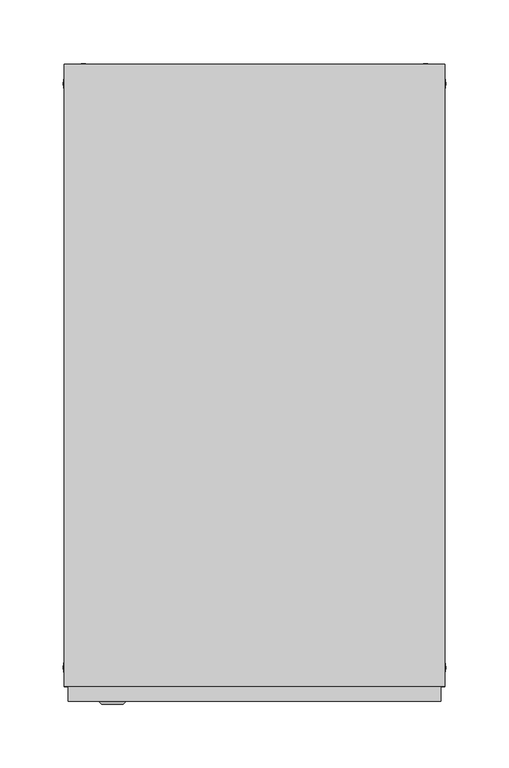
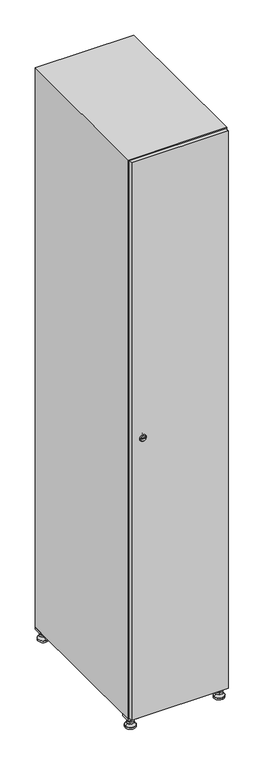
"""IFC4 building model written with IfcOpenShell, lengths in millimetres: furniture geometry."""

from ifc_helpers import new_model, si_unit, point, frame, frame_2d, origin, origin_with_axes, place, context, project, spatial, polyline, circle_curve, trimmed, segment, composite_curve, outline, extrude, faceted_brep, source, transform, mapped, element, save
from ifc_brep_helpers import plane_surface, revolved_surface, advanced_brep


def furniture_1d854229(model_context):
    return source(origin(), model_context, "Body", "SolidModel", [
        extrude(outline(polyline([(100.0, 245.0), (100.0, 215.0), (70.0, 215.0), (70.0, 245.0), (100.0, 245.0)]), holes=[polyline([(98.0, 243.0), (72.0, 243.0), (72.0, 217.0), (98.0, 217.0), (98.0, 243.0)])]), frame((0.0, 0.0, 28.5), z_axis=(0.0, 0.0, 1.0), x_axis=(1.0, 0.0, 0.0)), (0.0, 0.0, 1.0), 6.5),
        extrude(outline(polyline([(70.0, -245.0), (70.0, -215.0), (100.0, -215.0), (100.0, -245.0), (70.0, -245.0)]), holes=[polyline([(72.0, -243.0), (98.0, -243.0), (98.0, -217.0), (72.0, -217.0), (72.0, -243.0)])]), frame((0.0, 0.0, 28.5), z_axis=(0.0, 0.0, 1.0), x_axis=(1.0, 0.0, 0.0)), (0.0, 0.0, 1.0), 6.5),
        extrude(outline(polyline([(-170.0, 245.0), (-170.0, 215.0), (-200.0, 215.0), (-200.0, 245.0), (-170.0, 245.0)]), holes=[polyline([(-172.0, 243.0), (-198.0, 243.0), (-198.0, 217.0), (-172.0, 217.0), (-172.0, 243.0)])]), frame((0.0, 0.0, 28.5), z_axis=(0.0, 0.0, 1.0), x_axis=(1.0, 0.0, 0.0)), (0.0, 0.0, 1.0), 6.5),
        extrude(outline(polyline([(-170.0, -215.0), (-170.0, -245.0), (-200.0, -245.0), (-200.0, -215.0), (-170.0, -215.0)]), holes=[polyline([(-198.0, -243.0), (-172.0, -243.0), (-172.0, -217.0), (-198.0, -217.0), (-198.0, -243.0)])]), frame((0.0, 0.0, 28.5), z_axis=(0.0, 0.0, 1.0), x_axis=(1.0, 0.0, 0.0)), (0.0, 0.0, 1.0), 6.5),
        extrude(outline(composite_curve([segment(trimmed(circle_curve(frame_2d((-185.0, 230.0)), 5.0), [point((-180.0, 230.0))], [point((-190.0, 230.0))], False, "CARTESIAN"), True, "CONTINUOUS"), segment(trimmed(circle_curve(frame_2d((-185.0, 230.0)), 5.0), [point((-190.0, 230.0))], [point((-180.0, 230.0))], False, "CARTESIAN"), True, "CONTINUOUS")], self_intersect=False)), frame((0.0, 0.0, 19.6), z_axis=(0.0, 0.0, 1.0), x_axis=(1.0, 0.0, 0.0)), (0.0, 0.0, 1.0), 15.4),
        extrude(outline(composite_curve([segment(trimmed(circle_curve(frame_2d((-185.0, -230.0)), 5.0), [point((-180.0, -230.0))], [point((-190.0, -230.0))], False, "CARTESIAN"), True, "CONTINUOUS"), segment(trimmed(circle_curve(frame_2d((-185.0, -230.0)), 5.0), [point((-190.0, -230.0))], [point((-180.0, -230.0))], False, "CARTESIAN"), True, "CONTINUOUS")], self_intersect=False)), frame((0.0, 0.0, 19.6), z_axis=(0.0, 0.0, 1.0), x_axis=(1.0, 0.0, 0.0)), (0.0, 0.0, 1.0), 15.4),
        extrude(outline(composite_curve([segment(trimmed(circle_curve(frame_2d((85.0, 230.0)), 5.0), [point((90.0, 230.0))], [point((80.0, 230.0))], False, "CARTESIAN"), True, "CONTINUOUS"), segment(trimmed(circle_curve(frame_2d((85.0, 230.0)), 5.0), [point((80.0, 230.0))], [point((90.0, 230.0))], False, "CARTESIAN"), True, "CONTINUOUS")], self_intersect=False)), frame((0.0, 0.0, 19.6), z_axis=(0.0, 0.0, 1.0), x_axis=(1.0, 0.0, 0.0)), (0.0, 0.0, 1.0), 15.4),
        extrude(outline(polyline([(73.4529946, 230.0), (79.2264973, 240.0), (90.7735027, 240.0), (96.5470054, 230.0), (90.7735027, 220.0), (79.2264973, 220.0), (73.4529946, 230.0)])), frame((0.0, 0.0, 13.6), z_axis=(0.0, 0.0, 1.0), x_axis=(1.0, 0.0, 0.0)), (0.0, 0.0, 1.0), 6.0),
        extrude(outline(composite_curve([segment(trimmed(circle_curve(frame_2d((85.0, -230.0)), 5.0), [point((90.0, -230.0))], [point((80.0, -230.0))], False, "CARTESIAN"), True, "CONTINUOUS"), segment(trimmed(circle_curve(frame_2d((85.0, -230.0)), 5.0), [point((80.0, -230.0))], [point((90.0, -230.0))], False, "CARTESIAN"), True, "CONTINUOUS")], self_intersect=False)), frame((0.0, 0.0, 19.6), z_axis=(0.0, 0.0, 1.0), x_axis=(1.0, 0.0, 0.0)), (0.0, 0.0, 1.0), 15.4),
        extrude(outline(polyline([(73.4529946, -230.0), (79.2264973, -220.0), (90.7735027, -220.0), (96.5470054, -230.0), (90.7735027, -240.0), (79.2264973, -240.0), (73.4529946, -230.0)])), frame((0.0, 0.0, 13.6), z_axis=(0.0, 0.0, 1.0), x_axis=(1.0, 0.0, 0.0)), (0.0, 0.0, 1.0), 6.0),
        extrude(outline(composite_curve([segment(trimmed(circle_curve(frame_2d((85.0, 230.0)), 5.0), [point((90.0, 230.0))], [point((80.0, 230.0))], False, "CARTESIAN"), True, "CONTINUOUS"), segment(trimmed(circle_curve(frame_2d((85.0, 230.0)), 5.0), [point((80.0, 230.0))], [point((90.0, 230.0))], False, "CARTESIAN"), True, "CONTINUOUS")], self_intersect=False)), frame((0.0, 0.0, 12.1), z_axis=(0.0, 0.0, 1.0), x_axis=(1.0, 0.0, 0.0)), (0.0, 0.0, 1.0), 1.5),
        extrude(outline(composite_curve([segment(trimmed(circle_curve(frame_2d((85.0, -230.0)), 5.0), [point((90.0, -230.0))], [point((80.0, -230.0))], False, "CARTESIAN"), True, "CONTINUOUS"), segment(trimmed(circle_curve(frame_2d((85.0, -230.0)), 5.0), [point((80.0, -230.0))], [point((90.0, -230.0))], False, "CARTESIAN"), True, "CONTINUOUS")], self_intersect=False)), frame((0.0, 0.0, 12.1), z_axis=(0.0, 0.0, 1.0), x_axis=(1.0, 0.0, 0.0)), (0.0, 0.0, 1.0), 1.5),
        extrude(outline(polyline([(-196.5470054, 230.0), (-190.7735027, 240.0), (-179.2264973, 240.0), (-173.4529946, 230.0), (-179.2264973, 220.0), (-190.7735027, 220.0), (-196.5470054, 230.0)])), frame((0.0, 0.0, 13.6), z_axis=(0.0, 0.0, 1.0), x_axis=(1.0, 0.0, 0.0)), (0.0, 0.0, 1.0), 6.0),
        extrude(outline(polyline([(-196.5470054, -230.0), (-190.7735027, -220.0), (-179.2264973, -220.0), (-173.4529946, -230.0), (-179.2264973, -240.0), (-190.7735027, -240.0), (-196.5470054, -230.0)])), frame((0.0, 0.0, 13.6), z_axis=(0.0, 0.0, 1.0), x_axis=(1.0, 0.0, 0.0)), (0.0, 0.0, 1.0), 6.0),
        extrude(outline(composite_curve([segment(trimmed(circle_curve(frame_2d((-185.0, 230.0)), 5.0), [point((-185.0, 235.0))], [point((-185.0, 225.0))], False, "CARTESIAN"), True, "CONTINUOUS"), segment(trimmed(circle_curve(frame_2d((-185.0, 230.0)), 5.0), [point((-185.0, 225.0))], [point((-185.0, 235.0))], False, "CARTESIAN"), True, "CONTINUOUS")], self_intersect=False)), frame((0.0, 0.0, 12.1), z_axis=(0.0, 0.0, 1.0), x_axis=(1.0, 0.0, 0.0)), (0.0, 0.0, 1.0), 1.5),
        extrude(outline(composite_curve([segment(trimmed(circle_curve(frame_2d((-185.0, -230.0)), 5.0), [point((-180.0, -230.0))], [point((-190.0, -230.0))], False, "CARTESIAN"), True, "CONTINUOUS"), segment(trimmed(circle_curve(frame_2d((-185.0, -230.0)), 5.0), [point((-190.0, -230.0))], [point((-180.0, -230.0))], False, "CARTESIAN"), True, "CONTINUOUS")], self_intersect=False)), frame((0.0, 0.0, 12.1), z_axis=(0.0, 0.0, 1.0), x_axis=(1.0, 0.0, 0.0)), (0.0, 0.0, 1.0), 1.5),
        extrude(outline(composite_curve([segment(trimmed(circle_curve(frame_2d((85.0, 230.0)), 15.75), [point((100.75, 230.0))], [point((69.25, 230.0))], False, "CARTESIAN"), True, "CONTINUOUS"), segment(trimmed(circle_curve(frame_2d((85.0, 230.0)), 15.75), [point((69.25, 230.0))], [point((100.75, 230.0))], False, "CARTESIAN"), True, "CONTINUOUS")], self_intersect=False)), origin_with_axes(), (0.0, 0.0, 1.0), 5.1),
        extrude(outline(composite_curve([segment(trimmed(circle_curve(frame_2d((85.0, -230.0)), 15.75), [point((85.0, -214.25))], [point((85.0, -245.75))], False, "CARTESIAN"), True, "CONTINUOUS"), segment(trimmed(circle_curve(frame_2d((85.0, -230.0)), 15.75), [point((85.0, -245.75))], [point((85.0, -214.25))], False, "CARTESIAN"), True, "CONTINUOUS")], self_intersect=False)), origin_with_axes(), (0.0, 0.0, 1.0), 5.1),
        extrude(outline(composite_curve([segment(trimmed(circle_curve(frame_2d((-185.0, -230.0)), 15.75), [point((-169.25, -230.0))], [point((-200.75, -230.0))], False, "CARTESIAN"), True, "CONTINUOUS"), segment(trimmed(circle_curve(frame_2d((-185.0, -230.0)), 15.75), [point((-200.75, -230.0))], [point((-169.25, -230.0))], False, "CARTESIAN"), True, "CONTINUOUS")], self_intersect=False)), origin_with_axes(), (0.0, 0.0, 1.0), 5.1),
        extrude(outline(composite_curve([segment(trimmed(circle_curve(frame_2d((-185.0, 230.0)), 15.75), [point((-169.25, 230.0))], [point((-200.75, 230.0))], False, "CARTESIAN"), True, "CONTINUOUS"), segment(trimmed(circle_curve(frame_2d((-185.0, 230.0)), 15.75), [point((-200.75, 230.0))], [point((-169.25, 230.0))], False, "CARTESIAN"), True, "CONTINUOUS")], self_intersect=False)), origin_with_axes(), (0.0, 0.0, 1.0), 5.1),
        advanced_brep(
        [(-185.0, 239.5, 12.1), (-185.0, 220.5, 12.1), (-185.0, 214.25, 5.1), (-185.0, 245.75, 5.1)],
        [
            (0, 1, circle_curve(frame((-185.0, 230.0, 12.1), z_axis=(0.0, 0.0, -1.0), x_axis=(0.0, 1.0, 0.0)), 9.5)),
            (1, 2),
            (2, 3, circle_curve(frame((-185.0, 230.0, 5.1), z_axis=(0.0, 0.0, 1.0), x_axis=(0.0, 1.0, 0.0)), 15.75)),
            (3, 0),
            (1, 0, circle_curve(frame((-185.0, 230.0, 12.1), z_axis=(0.0, 0.0, -1.0), x_axis=(0.0, -1.0, 0.0)), 9.5)),
            (3, 2, circle_curve(frame((-185.0, 230.0, 5.1), z_axis=(0.0, 0.0, 1.0), x_axis=(0.0, -1.0, 0.0)), 15.75)),
        ],
        [
            revolved_surface(polyline([(-185.0, 220.5, 12.099999999999998), (-185.0, 214.25, 5.099999999999998)]), (-185.0, 230.0, 22.74), (0.0, 0.0, -1.0)),
            revolved_surface(polyline([(-185.0, 239.5, 12.099999999999998), (-185.0, 245.75, 5.099999999999998)]), (-185.0, 230.0, 22.74), (0.0, 0.0, -1.0)),
            plane_surface(frame((-185.0, 230.0, 5.1), z_axis=(0.0, 0.0, -1.0), x_axis=(1.0, 0.0, 0.0))),
            plane_surface(frame((-185.0, 230.0, 12.1), z_axis=(0.0, 0.0, 1.0), x_axis=(1.0, 0.0, 0.0))),
        ],
        [
            (0, [[1, 2, 3, 4]]),
            (1, [[5, -4, 6, -2]]),
            (2, [[-3, -6]]),
            (3, [[-5, -1]]),
        ],
    ),
        advanced_brep(
        [(85.0, 239.5, 12.1), (85.0, 220.5, 12.1), (85.0, 214.25, 5.1), (85.0, 245.75, 5.1)],
        [
            (0, 1, circle_curve(frame((85.0, 230.0, 12.1), z_axis=(0.0, 0.0, -1.0), x_axis=(0.0, 1.0, 0.0)), 9.5)),
            (1, 2),
            (2, 3, circle_curve(frame((85.0, 230.0, 5.1), z_axis=(0.0, 0.0, 1.0), x_axis=(0.0, 1.0, 0.0)), 15.75)),
            (3, 0),
            (1, 0, circle_curve(frame((85.0, 230.0, 12.1), z_axis=(0.0, 0.0, -1.0), x_axis=(0.0, -1.0, 0.0)), 9.5)),
            (3, 2, circle_curve(frame((85.0, 230.0, 5.1), z_axis=(0.0, 0.0, 1.0), x_axis=(0.0, -1.0, 0.0)), 15.75)),
        ],
        [
            revolved_surface(polyline([(85.0, 220.5, 12.099999999999998), (85.0, 214.25, 5.099999999999998)]), (85.0, 230.0, 22.74), (0.0, 0.0, -1.0)),
            revolved_surface(polyline([(85.0, 239.5, 12.099999999999998), (85.0, 245.75, 5.099999999999998)]), (85.0, 230.0, 22.74), (0.0, 0.0, -1.0)),
            plane_surface(frame((85.0, 230.0, 5.1), z_axis=(0.0, 0.0, -1.0), x_axis=(1.0, 0.0, 0.0))),
            plane_surface(frame((85.0, 230.0, 12.1), z_axis=(0.0, 0.0, 1.0), x_axis=(1.0, 0.0, 0.0))),
        ],
        [
            (0, [[1, 2, 3, 4]]),
            (1, [[5, -4, 6, -2]]),
            (2, [[-3, -6]]),
            (3, [[-5, -1]]),
        ],
    ),
        advanced_brep(
        [(100.75, -230.0, 5.1), (69.25, -230.0, 5.1), (75.5, -230.0, 12.1), (94.5, -230.0, 12.1)],
        [
            (0, 1, circle_curve(frame((85.0, -230.0, 5.1), z_axis=(0.0, 0.0, 1.0), x_axis=(1.0, 0.0, 0.0)), 15.75)),
            (1, 2),
            (2, 3, circle_curve(frame((85.0, -230.0, 12.1), z_axis=(0.0, 0.0, -1.0), x_axis=(1.0, 0.0, 0.0)), 9.5)),
            (3, 0),
            (1, 0, circle_curve(frame((85.0, -230.0, 5.1), z_axis=(0.0, 0.0, 1.0), x_axis=(-1.0, 0.0, 0.0)), 15.75)),
            (3, 2, circle_curve(frame((85.0, -230.0, 12.1), z_axis=(0.0, 0.0, -1.0), x_axis=(-1.0, 0.0, 0.0)), 9.5)),
        ],
        [
            revolved_surface(polyline([(94.5, -230.0, 12.099999999999998), (100.75, -230.0, 5.099999999999998)]), (85.0, -230.0, 22.74), (0.0, 0.0, -1.0)),
            revolved_surface(polyline([(75.5, -230.0, 12.099999999999998), (69.25, -230.0, 5.099999999999998)]), (85.0, -230.0, 22.74), (0.0, 0.0, -1.0)),
            plane_surface(frame((85.0, -230.0, 12.1), z_axis=(0.0, 0.0, 1.0), x_axis=(0.0, 1.0, 0.0))),
            plane_surface(frame((85.0, -230.0, 5.1), z_axis=(0.0, 0.0, -1.0), x_axis=(0.0, 1.0, 0.0))),
        ],
        [
            (0, [[1, 2, 3, 4]]),
            (1, [[5, -4, 6, -2]]),
            (2, [[-3, -6]]),
            (3, [[-5, -1]]),
        ],
    ),
        advanced_brep(
        [(-169.25, -230.0, 5.1), (-200.75, -230.0, 5.1), (-194.5, -230.0, 12.1), (-175.5, -230.0, 12.1)],
        [
            (0, 1, circle_curve(frame((-185.0, -230.0, 5.1), z_axis=(0.0, 0.0, 1.0), x_axis=(1.0, 0.0, 0.0)), 15.75)),
            (1, 2),
            (2, 3, circle_curve(frame((-185.0, -230.0, 12.1), z_axis=(0.0, 0.0, -1.0), x_axis=(1.0, 0.0, 0.0)), 9.5)),
            (3, 0),
            (1, 0, circle_curve(frame((-185.0, -230.0, 5.1), z_axis=(0.0, 0.0, 1.0), x_axis=(-1.0, 0.0, 0.0)), 15.75)),
            (3, 2, circle_curve(frame((-185.0, -230.0, 12.1), z_axis=(0.0, 0.0, -1.0), x_axis=(-1.0, 0.0, 0.0)), 9.5)),
        ],
        [
            revolved_surface(polyline([(-175.5, -230.0, 12.099999999999998), (-169.25, -230.0, 5.099999999999998)]), (-185.0, -230.0, 22.74), (0.0, 0.0, -1.0)),
            revolved_surface(polyline([(-194.5, -230.0, 12.099999999999998), (-200.75, -230.0, 5.099999999999998)]), (-185.0, -230.0, 22.74), (0.0, 0.0, -1.0)),
            plane_surface(frame((-185.0, -230.0, 12.1), z_axis=(0.0, 0.0, 1.0), x_axis=(0.0, 1.0, 0.0))),
            plane_surface(frame((-185.0, -230.0, 5.1), z_axis=(0.0, 0.0, -1.0), x_axis=(0.0, 1.0, 0.0))),
        ],
        [
            (0, [[1, 2, 3, 4]]),
            (1, [[5, -4, 6, -2]]),
            (2, [[-3, -6]]),
            (3, [[-5, -1]]),
        ],
    ),
        extrude(outline(composite_curve([segment(trimmed(circle_curve(frame_2d((935.0, -188.7989466)), 7.0), [point((942.0, -188.7989466))], [point((928.0, -188.7989466))], False, "CARTESIAN"), True, "CONTINUOUS"), segment(polyline([(928.0, -188.7989466), (928.0, -160.7989466)]), True, "CONTINUOUS"), segment(trimmed(circle_curve(frame_2d((935.0, -160.7989466)), 7.0), [point((928.0, -160.7989466))], [point((942.0, -160.7989466))], False, "CARTESIAN"), True, "CONTINUOUS"), segment(polyline([(942.0, -160.7989466), (942.0, -188.7989466)]), True, "CONTINUOUS")], self_intersect=False)), frame((0.0, -245.0, 0.0), z_axis=(0.0, 1.0, 0.0), x_axis=(0.0, 0.0, 1.0)), (0.0, 0.0, 1.0), 2.0),
        advanced_brep(
        [(-153.5, -259.2, 935.0), (-170.5, -259.2, 935.0), (-167.0, -259.2, 933.75), (-167.0, -259.2, 936.25), (-157.0, -259.2, 936.25), (-157.0, -259.2, 933.75), (-151.5, -257.0, 935.0), (-172.5, -257.0, 935.0), (-167.0, -257.0, 936.25), (-167.0, -257.0, 933.75), (-157.0, -257.0, 933.75), (-157.0, -257.0, 936.25)],
        [
            (0, 1, circle_curve(frame((-162.0, -259.2, 935.0), z_axis=(0.0, -1.0, 0.0), x_axis=(1.0, 0.0, 0.0)), 8.5)),
            (1, 0, circle_curve(frame((-162.0, -259.2, 935.0), z_axis=(0.0, -1.0, 0.0), x_axis=(-1.0, 0.0, 0.0)), 8.5)),
            (2, 3),
            (3, 4),
            (4, 5),
            (5, 2),
            (6, 7, circle_curve(frame((-162.0, -257.0, 935.0), z_axis=(0.0, 1.0, 0.0), x_axis=(-1.0, 0.0, 0.0)), 10.5)),
            (7, 6, circle_curve(frame((-162.0, -257.0, 935.0), z_axis=(0.0, 1.0, 0.0), x_axis=(1.0, 0.0, 0.0)), 10.5)),
            (8, 9),
            (9, 10),
            (10, 11),
            (11, 8),
            (0, 6),
            (7, 1),
            (8, 3),
            (2, 9),
            (11, 4),
            (10, 5),
        ],
        [
            plane_surface(frame((-162.0, -259.2, 935.0), z_axis=(0.0, -1.0, 0.0), x_axis=(0.0, 0.0, 1.0))),
            plane_surface(frame((-162.0, -257.0, 935.0), z_axis=(0.0, 1.0, 0.0), x_axis=(0.0, 0.0, 1.0))),
            revolved_surface(polyline([(-153.5, -259.2, 935.0), (-151.5, -257.0, 935.0)]), (-162.0, -268.55, 935.0), (0.0, 1.0, 0.0)),
            revolved_surface(polyline([(-170.5, -259.2, 935.0), (-172.5, -257.0, 935.0)]), (-162.0, -268.55, 935.0), (0.0, 1.0, 0.0)),
            plane_surface(frame((-167.0, -257.0, 933.75), z_axis=(1.0, 0.0, 0.0), x_axis=(0.0, -1.0, 0.0))),
            plane_surface(frame((-167.0, -257.0, 936.25), z_axis=(0.0, 0.0, -1.0), x_axis=(0.0, -1.0, 0.0))),
            plane_surface(frame((-157.0, -257.0, 936.25), z_axis=(-1.0, 0.0, 0.0), x_axis=(0.0, -1.0, 0.0))),
            plane_surface(frame((-157.0, -257.0, 933.75), z_axis=(0.0, 0.0, 1.0), x_axis=(0.0, -1.0, 0.0))),
        ],
        [
            (0, [[1, 2], [3, 4, 5, 6]]),
            (1, [[7, 8], [9, 10, 11, 12]]),
            (2, [[-1, 13, -8, 14]]),
            (3, [[-2, -14, -7, -13]]),
            (4, [[15, -3, 16, -9]]),
            (5, [[-15, -12, 17, -4]]),
            (6, [[-17, -11, 18, -5]]),
            (7, [[-16, -6, -18, -10]]),
        ],
    ),
        extrude(outline(polyline([(97.0, -245.0), (97.0, -257.0), (-197.0, -257.0), (-197.0, -245.0), (97.0, -245.0)])), frame((0.0, 0.0, 38.0), z_axis=(0.0, 0.0, 1.0), x_axis=(1.0, 0.0, 0.0)), (0.0, 0.0, 1.0), 1794.0),
        faceted_brep([(100.0, -245.0, 35.0), (100.0, -245.0, 1835.0), (-200.0, -245.0, 1835.0), (-200.0, -245.0, 35.0), (79.6, -245.0, 1804.8), (79.6, -245.0, 65.2), (-179.6, -245.0, 65.2), (-179.6, -245.0, 1804.8), (100.0, 245.0, 35.0), (-200.0, 245.0, 35.0), (100.0, 245.0, 1835.0), (-200.0, 245.0, 1835.0), (79.6, 242.0, 1804.8), (79.6, 242.0, 65.2), (-200.0, 245.0, 1804.8), (-179.6, 242.0, 1804.8), (-179.6, 242.0, 65.2)], [[[0, 1, 2, 3], [4, 5, 6, 7]], [[8, 0, 3, 9]], [[1, 0, 8, 10]], [[1, 10, 11, 2]], [[4, 12, 13, 5]], [[9, 3, 2, 11, 14]], [[10, 8, 9, 14, 11]], [[12, 15, 16, 13]], [[15, 7, 6, 16]], [[4, 7, 15, 12]], [[6, 5, 13, 16]]]),
    ])


if __name__ == "__main__":
    model = new_model("IFC4")
    model_context = context("Model", 3, world=origin())
    ifc_project = project(units=[si_unit("LENGTHUNIT", "METRE", prefix="MILLI")], contexts=[model_context])
    site = spatial("IfcSite", under=ifc_project)
    building = spatial("IfcBuilding", under=site)
    placement = place(None, origin())
    furniture_shape = furniture_1d854229(model_context)
    element("IfcFurniture", 1, at=placement, inside=building, context=model_context, shape_type="MappedRepresentation", body=[
        mapped(furniture_shape, transform((0.0, 0.0, 0.0), x_axis=(1.0, 0.0, 0.0), y_axis=(0.0, 1.0, 0.0), z_axis=(0.0, 0.0, 1.0))),
    ])
    save(model, "model.ifc")
